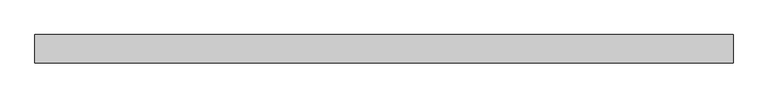
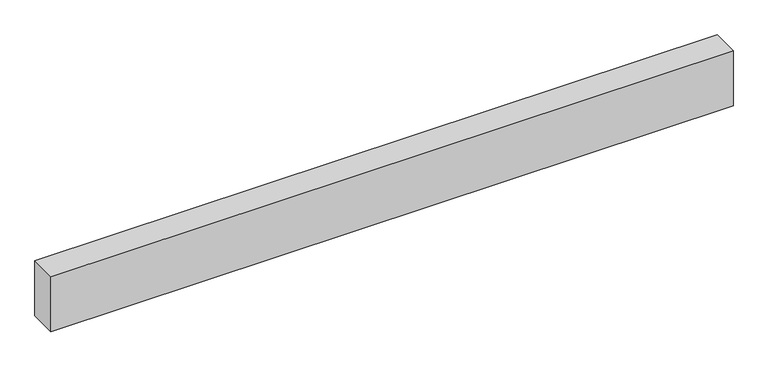
"""IFC4 building model written with IfcOpenShell, lengths in millimetres: beam geometry."""

from ifc_helpers import new_model, si_unit, frame, origin, place, context, project, spatial, polyline, outline, extrude, source, transform, mapped, element, save


def beam_c3a93f62(model_context):
    return source(origin(), model_context, "Body", "SweptSolid", [
        extrude(outline(polyline([(4565.6382883, 180.975), (4565.6382883, -180.975), (-4384.6747249, -180.975), (-4384.6747249, 180.975), (4565.6382883, 180.975)])), frame((0.0, 0.0, -381.0), z_axis=(0.0, 0.0, 1.0), x_axis=(1.0, 0.0, 0.0)), (0.0, 0.0, 1.0), 762.0),
    ])


if __name__ == "__main__":
    model = new_model("IFC4")
    model_context = context("Model", 3, world=origin())
    ifc_project = project(units=[si_unit("LENGTHUNIT", "METRE", prefix="MILLI")], contexts=[model_context])
    site = spatial("IfcSite", under=ifc_project)
    building = spatial("IfcBuilding", under=site)
    placement = place(None, origin())
    beam_shape = beam_c3a93f62(model_context)
    element("IfcBeam", 1, at=placement, inside=building, context=model_context, shape_type="MappedRepresentation", body=[
        mapped(beam_shape, transform((0.0, 0.0, 0.0), x_axis=(1.0, 0.0, 0.0), y_axis=(0.0, 1.0, 0.0), z_axis=(0.0, 0.0, 1.0))),
    ])
    save(model, "model.ifc")
